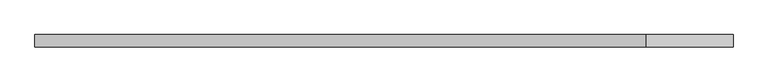
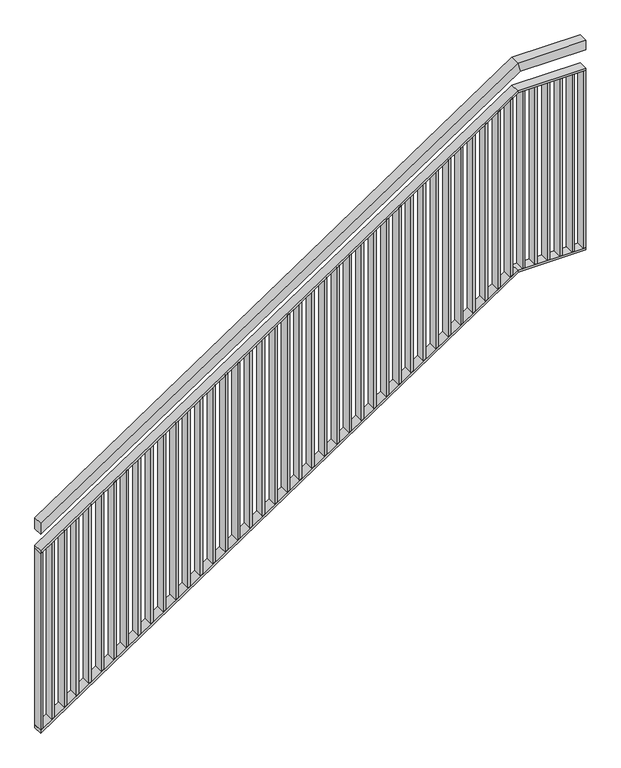
"""IFC4 building model written with IfcOpenShell, lengths in millimetres: railing geometry."""

import ifcopenshell
import ifcopenshell.guid

model = None  # the IFC model being written
_history = None  # IfcOwnerHistory: only IFC2X3 demands one
_inside = {}  # id of a spatial element -> (the spatial element, [elements in it])
_under = {}  # id of a project, library or spatial element -> (it, [spatial elements below it])
_declared = {}  # id of a project -> (the project, [libraries it declares])
_typed = {}  # id of a type object -> (the type object, [elements of that type])
_made_of = {}  # id of a material, layer set ... -> (it, [elements and type objects made of it])


def new_model(schema):
    """Start an empty IFC model of exactly this schema.

    Asked for "IFC4X3", IfcOpenShell would pick the latest addendum, in which some entities
    have other attributes; the version numbers below select the first issue.
    IFC2X3 requires an IfcOwnerHistory on every rooted entity: one is made here for all.
    """
    global model, _history
    if schema == "IFC4X3":
        model = ifcopenshell.file(schema_version=(4, 3, 0, 0))
    else:
        model = ifcopenshell.file(schema=schema)
    _inside.clear()
    _under.clear()
    _declared.clear()
    _typed.clear()
    _made_of.clear()
    _history = None
    if model.schema == "IFC2X3":
        org = make("IfcOrganization", Name="unknown")
        user = make(
            "IfcPersonAndOrganization",
            ThePerson=make("IfcPerson", FamilyName="unknown"),
            TheOrganization=org,
        )
        app = make(
            "IfcApplication",
            ApplicationDeveloper=org,
            Version="unknown",
            ApplicationFullName="unknown",
            ApplicationIdentifier="unknown",
        )
        _history = make(
            "IfcOwnerHistory",
            OwningUser=user,
            OwningApplication=app,
            ChangeAction="ADDED",
            CreationDate=0,
        )
    return model


def make(cls, **values):
    """One entity of the class cls with the attributes given. An attribute that is None is left unset."""
    return model.create_entity(
        cls, **{name: value for name, value in values.items() if value is not None}
    )


def rooted(cls, **values):
    """An entity with a GlobalId (a new one), such as an element, a storey or a relation."""
    return make(cls, GlobalId=ifcopenshell.guid.new(), OwnerHistory=_history, **values)


def si_unit(unit_type, name, prefix=None):
    """IfcSIUnit, for example si_unit("LENGTHUNIT", "METRE", prefix="MILLI")."""
    return make("IfcSIUnit", UnitType=unit_type, Prefix=prefix, Name=name)


def assignment(units):
    """IfcUnitAssignment: the units of a project."""
    return None if units is None else make("IfcUnitAssignment", Units=units)


def point(xyz):
    """IfcCartesianPoint."""
    return None if xyz is None else make("IfcCartesianPoint", Coordinates=xyz)


def direction(xyz):
    """IfcDirection."""
    return None if xyz is None else make("IfcDirection", DirectionRatios=xyz)


def frame(location, z_axis=None, x_axis=None):
    """IfcAxis2Placement3D, a coordinate frame: its origin and axes. An axis left out is left unset."""
    return make(
        "IfcAxis2Placement3D",
        Location=point(location),
        Axis=direction(z_axis),
        RefDirection=direction(x_axis),
    )


def origin():
    """The frame at (0, 0, 0) with its axes left unset."""
    return frame((0.0, 0.0, 0.0))


def place(relative_to, where):
    """IfcLocalPlacement: puts the frame where relative to a parent placement (None: the world)."""
    return make(
        "IfcLocalPlacement", PlacementRelTo=relative_to, RelativePlacement=where
    )


def context(
    kind, dimensions, precision=None, world=None, true_north=None, identifier=None
):
    """IfcGeometricRepresentationContext, for example the 3D "Model" context."""
    return make(
        "IfcGeometricRepresentationContext",
        ContextIdentifier=identifier,
        ContextType=kind,
        CoordinateSpaceDimension=dimensions,
        Precision=precision,
        WorldCoordinateSystem=world,
        TrueNorth=true_north,
    )


def project(units=None, contexts=None):
    """IfcProject with its units and contexts."""
    return rooted(
        "IfcProject",
        Name="project",
        RepresentationContexts=contexts,
        UnitsInContext=assignment(units),
    )


def spatial(cls, under=None, at=None, **own):
    """A site, building, storey or space (cls), placed at a placement, below another one or the project."""
    s = rooted(cls, ObjectPlacement=at, **own)
    if under is not None:
        _under.setdefault(under.id(), (under, []))[1].append(s)
    return s


def polyline(points):
    """IfcPolyline through the points."""
    return make("IfcPolyline", Points=[point(p) for p in points])


def outline(outer, holes=None, kind="AREA"):
    """IfcArbitraryClosedProfileDef: a profile drawn as a closed curve; with holes, ...WithVoids."""
    if holes is None:
        return make("IfcArbitraryClosedProfileDef", ProfileType=kind, OuterCurve=outer)
    return make(
        "IfcArbitraryProfileDefWithVoids",
        ProfileType=kind,
        OuterCurve=outer,
        InnerCurves=holes,
    )


def extrude(swept, where, along, depth):
    """IfcExtrudedAreaSolid: the profile swept, set in the frame where, extruded along a direction by depth."""
    return make(
        "IfcExtrudedAreaSolid",
        SweptArea=swept,
        Position=where,
        ExtrudedDirection=direction(along),
        Depth=depth,
    )


def faces_of(points, faces, orient=None, outer=None):
    """IfcFace entities. A face is a list of loops; a loop is a list of indices into points, from 0.

    orient and outer hold one flag for each loop. By default every Orientation is true, the
    first loop of a face is its IfcFaceOuterBound and the others are IfcFaceBound.
    """
    made = []
    for i, loops in enumerate(faces):
        bounds = []
        for j, loop in enumerate(loops):
            is_outer = j == 0 if outer is None else outer[i][j]
            bounds.append(
                make(
                    "IfcFaceOuterBound" if is_outer else "IfcFaceBound",
                    Bound=make("IfcPolyLoop", Polygon=[points[k] for k in loop]),
                    Orientation=True if orient is None else orient[i][j],
                )
            )
        made.append(make("IfcFace", Bounds=bounds))
    return made


def faceted_brep(points, faces, orient=None, outer=None, voids=None):
    """IfcFacetedBrep: a solid bounded by flat faces; with voids (closed shells), ...WithVoids."""
    shared = [point(p) for p in points]
    hull = make("IfcClosedShell", CfsFaces=faces_of(shared, faces, orient, outer))
    if voids is None:
        return make("IfcFacetedBrep", Outer=hull)
    return make(
        "IfcFacetedBrepWithVoids",
        Outer=hull,
        Voids=[
            make(cls, CfsFaces=faces_of(shared, fs, o, b)) for cls, fs, o, b in voids
        ],
    )


def shape(context_of_items, identifier, shape_type, items):
    """IfcShapeRepresentation: the items that make up one representation, for example the "Body"."""
    return make(
        "IfcShapeRepresentation",
        ContextOfItems=context_of_items,
        RepresentationIdentifier=identifier,
        RepresentationType=shape_type,
        Items=items,
    )


def source(mapping_origin, context_of_items, identifier, shape_type, items):
    """IfcRepresentationMap: a shape defined once, which mapped items show again and again."""
    return make(
        "IfcRepresentationMap",
        MappingOrigin=mapping_origin,
        MappedRepresentation=shape(context_of_items, identifier, shape_type, items),
    )


def transform(
    local_origin,
    x_axis=None,
    y_axis=None,
    z_axis=None,
    scale=None,
    scale2=None,
    scale3=None,
    uniform=True,
):
    """IfcCartesianTransformationOperator3D, or its non-uniform kind. x_axis, y_axis, z_axis: its Axis1, 2, 3."""
    if uniform:
        return make(
            "IfcCartesianTransformationOperator3D",
            Axis1=direction(x_axis),
            Axis2=direction(y_axis),
            LocalOrigin=point(local_origin),
            Scale=scale,
            Axis3=direction(z_axis),
        )
    return make(
        "IfcCartesianTransformationOperator3DnonUniform",
        Axis1=direction(x_axis),
        Axis2=direction(y_axis),
        LocalOrigin=point(local_origin),
        Scale=scale,
        Axis3=direction(z_axis),
        Scale2=scale2,
        Scale3=scale3,
    )


def mapped(mapping_source, mapping_target):
    """IfcMappedItem: shows the shape of a source again, moved by a transform."""
    return make(
        "IfcMappedItem", MappingSource=mapping_source, MappingTarget=mapping_target
    )


def made_of(thing, what):
    """Note that an element or type object is made of a material, layer set ...; save() writes the relation."""
    if what is not None:
        _made_of.setdefault(what.id(), (what, []))[1].append(thing)
    return thing


def element(
    cls,
    number,
    at=None,
    inside=None,
    cuts=None,
    type_object=None,
    material=None,
    context=None,
    identifier="Body",
    shape_type=None,
    held_by="IfcProductDefinitionShape",
    body=None,
    shapes=None,
    **own,
):
    """One element of the class cls, such as IfcWall. Its Tag is "e" and its number.

    at: its placement. inside: the storey or other place that contains it. cuts: it is an
    opening in that element (IfcRelVoidsElement). A single representation is given by context,
    identifier, shape_type and body (its items); several are given by shapes. held_by: the class
    of the entity that holds the representations. save() writes the other relations.
    """
    e = rooted(cls, Tag="e%d" % number, ObjectPlacement=at, **own)
    if body is not None:
        shapes = [shape(context, identifier, shape_type, body)]
    if shapes is not None:
        e.Representation = make(held_by, Representations=shapes)
    if inside is not None:
        _inside.setdefault(inside.id(), (inside, []))[1].append(e)
    if cuts is not None:
        rooted(
            "IfcRelVoidsElement", RelatingBuildingElement=cuts, RelatedOpeningElement=e
        )
    if type_object is not None:
        _typed.setdefault(type_object.id(), (type_object, []))[1].append(e)
    return made_of(e, material)


def aggregate(whole, parts):
    """IfcRelAggregates: a whole, such as a stair, and the parts it consists of."""
    return rooted("IfcRelAggregates", RelatingObject=whole, RelatedObjects=parts)


def save(model, path):
    """Write the relations noted so far, then the file.

    IfcRelAggregates (storeys below a building ...), IfcRelContainedInSpatialStructure (elements
    in a storey), IfcRelDefinesByType, IfcRelAssociatesMaterial and IfcRelDeclares: one each for
    every whole, place, type object, material and project.
    """
    for whole, parts in _under.values():
        aggregate(whole, parts)
    for where, things in _inside.values():
        rooted(
            "IfcRelContainedInSpatialStructure",
            RelatedElements=things,
            RelatingStructure=where,
        )
    for kind, things in _typed.values():
        rooted("IfcRelDefinesByType", RelatedObjects=things, RelatingType=kind)
    for what, things in _made_of.values():
        rooted("IfcRelAssociatesMaterial", RelatedObjects=things, RelatingMaterial=what)
    for by, libraries in _declared.values():
        rooted("IfcRelDeclares", RelatingContext=by, RelatedDefinitions=libraries)
    model.write(path)


def railing_6da0d46b(model_context):
    return source(origin(), model_context, "Body", "SolidModel", [
        faceted_brep([(-3077.5711368, -55941.2878855, 1187.5), (-3077.5711368, -55901.2878855, 1187.5), (-3077.5711368, -55901.2878855, 1139.3598453), (-3077.5711368, -55941.2878855, 1139.3598453), (-1117.5711368, -55941.2878855, 2500.0), (-1117.5711368, -55901.2878855, 2500.0), (-1105.4151725, -55901.2878855, 2460.0), (-1105.4151725, -55941.2878855, 2460.0), (-837.5711368, -55941.2878855, 2500.0), (-837.5711368, -55941.2878855, 2460.0), (-837.5711368, -55901.2878855, 2460.0), (-837.5711368, -55901.2878855, 2500.0)], [[[0, 1, 2, 3]], [[1, 0, 4, 5]], [[2, 1, 5, 6]], [[3, 2, 6, 7]], [[0, 3, 7, 4]], [[8, 9, 10, 11]], [[5, 4, 8, 11]], [[6, 5, 11, 10]], [[7, 6, 10, 9]], [[4, 7, 9, 8]]]),
        faceted_brep([(-3077.5711368, -55941.2878855, 1067.5), (-3077.5711368, -55901.2878855, 1067.5), (-3077.5711368, -55901.2878855, 1055.4649613), (-3077.5711368, -55941.2878855, 1055.4649613), (-1117.5711368, -55941.2878855, 2380.0), (-1117.5711368, -55901.2878855, 2380.0), (-1114.5321457, -55901.2878855, 2370.0), (-1114.5321457, -55941.2878855, 2370.0), (-837.5711368, -55941.2878855, 2380.0), (-837.5711368, -55941.2878855, 2370.0), (-837.5711368, -55901.2878855, 2370.0), (-837.5711368, -55901.2878855, 2380.0)], [[[0, 1, 2, 3]], [[1, 0, 4, 5]], [[2, 1, 5, 6]], [[3, 2, 6, 7]], [[0, 3, 7, 4]], [[8, 9, 10, 11]], [[5, 4, 8, 11]], [[6, 5, 11, 10]], [[7, 6, 10, 9]], [[4, 7, 9, 8]]]),
        faceted_brep([(-3077.5711368, -55941.2878855, 287.5), (-3077.5711368, -55901.2878855, 287.5), (-3077.5711368, -55901.2878855, 275.4649613), (-3077.5711368, -55941.2878855, 275.4649613), (-1117.5711368, -55941.2878855, 1600.0), (-1117.5711368, -55901.2878855, 1600.0), (-1114.5321457, -55901.2878855, 1590.0), (-1114.5321457, -55941.2878855, 1590.0), (-837.5711368, -55941.2878855, 1600.0), (-837.5711368, -55941.2878855, 1590.0), (-837.5711368, -55901.2878855, 1590.0), (-837.5711368, -55901.2878855, 1600.0)], [[[0, 1, 2, 3]], [[1, 0, 4, 5]], [[2, 1, 5, 6]], [[3, 2, 6, 7]], [[0, 3, 7, 4]], [[8, 9, 10, 11]], [[5, 4, 8, 11]], [[6, 5, 11, 10]], [[7, 6, 10, 9]], [[4, 7, 9, 8]]]),
        extrude(outline(polyline([(-893.4802277, -55941.2878855), (-893.4802277, -55901.2878855), (-883.4802277, -55901.2878855), (-883.4802277, -55941.2878855), (-893.4802277, -55941.2878855)])), frame((0.0, 0.0, 1600.0), z_axis=(0.0, 0.0, 1.0), x_axis=(1.0, 0.0, 0.0)), (0.0, 0.0, 1.0), 770.0),
        extrude(outline(polyline([(-944.3893186, -55941.2878855), (-944.3893186, -55901.2878855), (-934.3893186, -55901.2878855), (-934.3893186, -55941.2878855), (-944.3893186, -55941.2878855)])), frame((0.0, 0.0, 1600.0), z_axis=(0.0, 0.0, 1.0), x_axis=(1.0, 0.0, 0.0)), (0.0, 0.0, 1.0), 770.0),
        extrude(outline(polyline([(-995.2984095, -55941.2878855), (-995.2984095, -55901.2878855), (-985.2984095, -55901.2878855), (-985.2984095, -55941.2878855), (-995.2984095, -55941.2878855)])), frame((0.0, 0.0, 1600.0), z_axis=(0.0, 0.0, 1.0), x_axis=(1.0, 0.0, 0.0)), (0.0, 0.0, 1.0), 770.0),
        extrude(outline(polyline([(-1046.2075004, -55941.2878855), (-1046.2075004, -55901.2878855), (-1036.2075004, -55901.2878855), (-1036.2075004, -55941.2878855), (-1046.2075004, -55941.2878855)])), frame((0.0, 0.0, 1600.0), z_axis=(0.0, 0.0, 1.0), x_axis=(1.0, 0.0, 0.0)), (0.0, 0.0, 1.0), 770.0),
        extrude(outline(polyline([(-1097.1165913, -55941.2878855), (-1097.1165913, -55901.2878855), (-1087.1165913, -55901.2878855), (-1087.1165913, -55941.2878855), (-1097.1165913, -55941.2878855)])), frame((0.0, 0.0, 1600.0), z_axis=(0.0, 0.0, 1.0), x_axis=(1.0, 0.0, 0.0)), (0.0, 0.0, 1.0), 770.0),
        extrude(outline(polyline([(2349.6063312, -1148.0256822), (1579.6063312, -1148.0256822), (1586.3027597, -1138.0256822), (2356.3027597, -1138.0256822), (2349.6063312, -1148.0256822)])), frame((0.0, -55941.2878855, 0.0), z_axis=(0.0, 1.0, 0.0), x_axis=(0.0, 0.0, 1.0)), (0.0, 0.0, 1.0), 40.0),
        extrude(outline(polyline([(2315.5154221, -1198.9347731), (1545.5154221, -1198.9347731), (1552.2118506, -1188.9347731), (2322.2118506, -1188.9347731), (2315.5154221, -1198.9347731)])), frame((0.0, -55941.2878855, 0.0), z_axis=(0.0, 1.0, 0.0), x_axis=(0.0, 0.0, 1.0)), (0.0, 0.0, 1.0), 40.0),
        extrude(outline(polyline([(2281.424513, -1249.843864), (1511.424513, -1249.843864), (1518.1209416, -1239.843864), (2288.1209416, -1239.843864), (2281.424513, -1249.843864)])), frame((0.0, -55941.2878855, 0.0), z_axis=(0.0, 1.0, 0.0), x_axis=(0.0, 0.0, 1.0)), (0.0, 0.0, 1.0), 40.0),
        extrude(outline(polyline([(2247.3336039, -1300.7529549), (1477.3336039, -1300.7529549), (1484.0300325, -1290.7529549), (2254.0300325, -1290.7529549), (2247.3336039, -1300.7529549)])), frame((0.0, -55941.2878855, 0.0), z_axis=(0.0, 1.0, 0.0), x_axis=(0.0, 0.0, 1.0)), (0.0, 0.0, 1.0), 40.0),
        extrude(outline(polyline([(2213.2426948, -1351.6620459), (1443.2426948, -1351.6620459), (1449.9391234, -1341.6620459), (2219.9391234, -1341.6620459), (2213.2426948, -1351.6620459)])), frame((0.0, -55941.2878855, 0.0), z_axis=(0.0, 1.0, 0.0), x_axis=(0.0, 0.0, 1.0)), (0.0, 0.0, 1.0), 40.0),
        extrude(outline(polyline([(2179.1517857, -1402.5711368), (1409.1517857, -1402.5711368), (1415.8482143, -1392.5711368), (2185.8482143, -1392.5711368), (2179.1517857, -1402.5711368)])), frame((0.0, -55941.2878855, 0.0), z_axis=(0.0, 1.0, 0.0), x_axis=(0.0, 0.0, 1.0)), (0.0, 0.0, 1.0), 40.0),
        extrude(outline(polyline([(2145.0608766, -1453.4802277), (1375.0608766, -1453.4802277), (1381.7573052, -1443.4802277), (2151.7573052, -1443.4802277), (2145.0608766, -1453.4802277)])), frame((0.0, -55941.2878855, 0.0), z_axis=(0.0, 1.0, 0.0), x_axis=(0.0, 0.0, 1.0)), (0.0, 0.0, 1.0), 40.0),
        extrude(outline(polyline([(2110.9699675, -1504.3893186), (1340.9699675, -1504.3893186), (1347.6663961, -1494.3893186), (2117.6663961, -1494.3893186), (2110.9699675, -1504.3893186)])), frame((0.0, -55941.2878855, 0.0), z_axis=(0.0, 1.0, 0.0), x_axis=(0.0, 0.0, 1.0)), (0.0, 0.0, 1.0), 40.0),
        extrude(outline(polyline([(2076.8790584, -1555.2984095), (1306.8790584, -1555.2984095), (1313.575487, -1545.2984095), (2083.575487, -1545.2984095), (2076.8790584, -1555.2984095)])), frame((0.0, -55941.2878855, 0.0), z_axis=(0.0, 1.0, 0.0), x_axis=(0.0, 0.0, 1.0)), (0.0, 0.0, 1.0), 40.0),
        extrude(outline(polyline([(2042.7881494, -1606.2075004), (1272.7881494, -1606.2075004), (1279.4845779, -1596.2075004), (2049.4845779, -1596.2075004), (2042.7881494, -1606.2075004)])), frame((0.0, -55941.2878855, 0.0), z_axis=(0.0, 1.0, 0.0), x_axis=(0.0, 0.0, 1.0)), (0.0, 0.0, 1.0), 40.0),
        extrude(outline(polyline([(2008.6972403, -1657.1165913), (1238.6972403, -1657.1165913), (1245.3936688, -1647.1165913), (2015.3936688, -1647.1165913), (2008.6972403, -1657.1165913)])), frame((0.0, -55941.2878855, 0.0), z_axis=(0.0, 1.0, 0.0), x_axis=(0.0, 0.0, 1.0)), (0.0, 0.0, 1.0), 40.0),
        extrude(outline(polyline([(1974.6063312, -1708.0256822), (1204.6063312, -1708.0256822), (1211.3027597, -1698.0256822), (1981.3027597, -1698.0256822), (1974.6063312, -1708.0256822)])), frame((0.0, -55941.2878855, 0.0), z_axis=(0.0, 1.0, 0.0), x_axis=(0.0, 0.0, 1.0)), (0.0, 0.0, 1.0), 40.0),
        extrude(outline(polyline([(1940.5154221, -1758.9347731), (1170.5154221, -1758.9347731), (1177.2118506, -1748.9347731), (1947.2118506, -1748.9347731), (1940.5154221, -1758.9347731)])), frame((0.0, -55941.2878855, 0.0), z_axis=(0.0, 1.0, 0.0), x_axis=(0.0, 0.0, 1.0)), (0.0, 0.0, 1.0), 40.0),
        extrude(outline(polyline([(1906.424513, -1809.843864), (1136.424513, -1809.843864), (1143.1209416, -1799.843864), (1913.1209416, -1799.843864), (1906.424513, -1809.843864)])), frame((0.0, -55941.2878855, 0.0), z_axis=(0.0, 1.0, 0.0), x_axis=(0.0, 0.0, 1.0)), (0.0, 0.0, 1.0), 40.0),
        extrude(outline(polyline([(1872.3336039, -1860.7529549), (1102.3336039, -1860.7529549), (1109.0300325, -1850.7529549), (1879.0300325, -1850.7529549), (1872.3336039, -1860.7529549)])), frame((0.0, -55941.2878855, 0.0), z_axis=(0.0, 1.0, 0.0), x_axis=(0.0, 0.0, 1.0)), (0.0, 0.0, 1.0), 40.0),
        extrude(outline(polyline([(1838.2426948, -1911.6620459), (1068.2426948, -1911.6620459), (1074.9391234, -1901.6620459), (1844.9391234, -1901.6620459), (1838.2426948, -1911.6620459)])), frame((0.0, -55941.2878855, 0.0), z_axis=(0.0, 1.0, 0.0), x_axis=(0.0, 0.0, 1.0)), (0.0, 0.0, 1.0), 40.0),
        extrude(outline(polyline([(1804.1517857, -1962.5711368), (1034.1517857, -1962.5711368), (1040.8482143, -1952.5711368), (1810.8482143, -1952.5711368), (1804.1517857, -1962.5711368)])), frame((0.0, -55941.2878855, 0.0), z_axis=(0.0, 1.0, 0.0), x_axis=(0.0, 0.0, 1.0)), (0.0, 0.0, 1.0), 40.0),
        extrude(outline(polyline([(1770.0608766, -2013.4802277), (1000.0608766, -2013.4802277), (1006.7573052, -2003.4802277), (1776.7573052, -2003.4802277), (1770.0608766, -2013.4802277)])), frame((0.0, -55941.2878855, 0.0), z_axis=(0.0, 1.0, 0.0), x_axis=(0.0, 0.0, 1.0)), (0.0, 0.0, 1.0), 40.0),
        extrude(outline(polyline([(1735.9699675, -2064.3893186), (965.9699675, -2064.3893186), (972.6663961, -2054.3893186), (1742.6663961, -2054.3893186), (1735.9699675, -2064.3893186)])), frame((0.0, -55941.2878855, 0.0), z_axis=(0.0, 1.0, 0.0), x_axis=(0.0, 0.0, 1.0)), (0.0, 0.0, 1.0), 40.0),
        extrude(outline(polyline([(1701.8790584, -2115.2984095), (931.8790584, -2115.2984095), (938.575487, -2105.2984095), (1708.575487, -2105.2984095), (1701.8790584, -2115.2984095)])), frame((0.0, -55941.2878855, 0.0), z_axis=(0.0, 1.0, 0.0), x_axis=(0.0, 0.0, 1.0)), (0.0, 0.0, 1.0), 40.0),
        extrude(outline(polyline([(1667.7881494, -2166.2075004), (897.7881494, -2166.2075004), (904.4845779, -2156.2075004), (1674.4845779, -2156.2075004), (1667.7881494, -2166.2075004)])), frame((0.0, -55941.2878855, 0.0), z_axis=(0.0, 1.0, 0.0), x_axis=(0.0, 0.0, 1.0)), (0.0, 0.0, 1.0), 40.0),
        extrude(outline(polyline([(1633.6972403, -2217.1165913), (863.6972403, -2217.1165913), (870.3936688, -2207.1165913), (1640.3936688, -2207.1165913), (1633.6972403, -2217.1165913)])), frame((0.0, -55941.2878855, 0.0), z_axis=(0.0, 1.0, 0.0), x_axis=(0.0, 0.0, 1.0)), (0.0, 0.0, 1.0), 40.0),
        extrude(outline(polyline([(1599.6063312, -2268.0256822), (829.6063312, -2268.0256822), (836.3027597, -2258.0256822), (1606.3027597, -2258.0256822), (1599.6063312, -2268.0256822)])), frame((0.0, -55941.2878855, 0.0), z_axis=(0.0, 1.0, 0.0), x_axis=(0.0, 0.0, 1.0)), (0.0, 0.0, 1.0), 40.0),
        extrude(outline(polyline([(1565.5154221, -2318.9347731), (795.5154221, -2318.9347731), (802.2118506, -2308.9347731), (1572.2118506, -2308.9347731), (1565.5154221, -2318.9347731)])), frame((0.0, -55941.2878855, 0.0), z_axis=(0.0, 1.0, 0.0), x_axis=(0.0, 0.0, 1.0)), (0.0, 0.0, 1.0), 40.0),
        extrude(outline(polyline([(1531.424513, -2369.843864), (761.424513, -2369.843864), (768.1209416, -2359.843864), (1538.1209416, -2359.843864), (1531.424513, -2369.843864)])), frame((0.0, -55941.2878855, 0.0), z_axis=(0.0, 1.0, 0.0), x_axis=(0.0, 0.0, 1.0)), (0.0, 0.0, 1.0), 40.0),
        extrude(outline(polyline([(1497.3336039, -2420.7529549), (727.3336039, -2420.7529549), (734.0300325, -2410.7529549), (1504.0300325, -2410.7529549), (1497.3336039, -2420.7529549)])), frame((0.0, -55941.2878855, 0.0), z_axis=(0.0, 1.0, 0.0), x_axis=(0.0, 0.0, 1.0)), (0.0, 0.0, 1.0), 40.0),
        extrude(outline(polyline([(1463.2426948, -2471.6620459), (693.2426948, -2471.6620459), (699.9391234, -2461.6620459), (1469.9391234, -2461.6620459), (1463.2426948, -2471.6620459)])), frame((0.0, -55941.2878855, 0.0), z_axis=(0.0, 1.0, 0.0), x_axis=(0.0, 0.0, 1.0)), (0.0, 0.0, 1.0), 40.0),
        extrude(outline(polyline([(1429.1517857, -2522.5711368), (659.1517857, -2522.5711368), (665.8482143, -2512.5711368), (1435.8482143, -2512.5711368), (1429.1517857, -2522.5711368)])), frame((0.0, -55941.2878855, 0.0), z_axis=(0.0, 1.0, 0.0), x_axis=(0.0, 0.0, 1.0)), (0.0, 0.0, 1.0), 40.0),
        extrude(outline(polyline([(1395.0608766, -2573.4802277), (625.0608766, -2573.4802277), (631.7573052, -2563.4802277), (1401.7573052, -2563.4802277), (1395.0608766, -2573.4802277)])), frame((0.0, -55941.2878855, 0.0), z_axis=(0.0, 1.0, 0.0), x_axis=(0.0, 0.0, 1.0)), (0.0, 0.0, 1.0), 40.0),
        extrude(outline(polyline([(1360.9699675, -2624.3893186), (590.9699675, -2624.3893186), (597.6663961, -2614.3893186), (1367.6663961, -2614.3893186), (1360.9699675, -2624.3893186)])), frame((0.0, -55941.2878855, 0.0), z_axis=(0.0, 1.0, 0.0), x_axis=(0.0, 0.0, 1.0)), (0.0, 0.0, 1.0), 40.0),
        extrude(outline(polyline([(1326.8790584, -2675.2984095), (556.8790584, -2675.2984095), (563.575487, -2665.2984095), (1333.575487, -2665.2984095), (1326.8790584, -2675.2984095)])), frame((0.0, -55941.2878855, 0.0), z_axis=(0.0, 1.0, 0.0), x_axis=(0.0, 0.0, 1.0)), (0.0, 0.0, 1.0), 40.0),
        extrude(outline(polyline([(1292.7881494, -2726.2075004), (522.7881494, -2726.2075004), (529.4845779, -2716.2075004), (1299.4845779, -2716.2075004), (1292.7881494, -2726.2075004)])), frame((0.0, -55941.2878855, 0.0), z_axis=(0.0, 1.0, 0.0), x_axis=(0.0, 0.0, 1.0)), (0.0, 0.0, 1.0), 40.0),
        extrude(outline(polyline([(1258.6972403, -2777.1165913), (488.6972403, -2777.1165913), (495.3936688, -2767.1165913), (1265.3936688, -2767.1165913), (1258.6972403, -2777.1165913)])), frame((0.0, -55941.2878855, 0.0), z_axis=(0.0, 1.0, 0.0), x_axis=(0.0, 0.0, 1.0)), (0.0, 0.0, 1.0), 40.0),
        extrude(outline(polyline([(1224.6063312, -2828.0256822), (454.6063312, -2828.0256822), (461.3027597, -2818.0256822), (1231.3027597, -2818.0256822), (1224.6063312, -2828.0256822)])), frame((0.0, -55941.2878855, 0.0), z_axis=(0.0, 1.0, 0.0), x_axis=(0.0, 0.0, 1.0)), (0.0, 0.0, 1.0), 40.0),
        extrude(outline(polyline([(1190.5154221, -2878.9347731), (420.5154221, -2878.9347731), (427.2118506, -2868.9347731), (1197.2118506, -2868.9347731), (1190.5154221, -2878.9347731)])), frame((0.0, -55941.2878855, 0.0), z_axis=(0.0, 1.0, 0.0), x_axis=(0.0, 0.0, 1.0)), (0.0, 0.0, 1.0), 40.0),
        extrude(outline(polyline([(1156.424513, -2929.843864), (386.424513, -2929.843864), (393.1209416, -2919.843864), (1163.1209416, -2919.843864), (1156.424513, -2929.843864)])), frame((0.0, -55941.2878855, 0.0), z_axis=(0.0, 1.0, 0.0), x_axis=(0.0, 0.0, 1.0)), (0.0, 0.0, 1.0), 40.0),
        extrude(outline(polyline([(1122.3336039, -2980.7529549), (352.3336039, -2980.7529549), (359.0300325, -2970.7529549), (1129.0300325, -2970.7529549), (1122.3336039, -2980.7529549)])), frame((0.0, -55941.2878855, 0.0), z_axis=(0.0, 1.0, 0.0), x_axis=(0.0, 0.0, 1.0)), (0.0, 0.0, 1.0), 40.0),
        extrude(outline(polyline([(1088.2426948, -3031.6620459), (318.2426948, -3031.6620459), (324.9391234, -3021.6620459), (1094.9391234, -3021.6620459), (1088.2426948, -3031.6620459)])), frame((0.0, -55941.2878855, 0.0), z_axis=(0.0, 1.0, 0.0), x_axis=(0.0, 0.0, 1.0)), (0.0, 0.0, 1.0), 40.0),
        extrude(outline(polyline([(-847.5711368, -55941.2878855), (-847.5711368, -55901.2878855), (-837.5711368, -55901.2878855), (-837.5711368, -55941.2878855), (-847.5711368, -55941.2878855)])), frame((0.0, 0.0, 1600.0), z_axis=(0.0, 0.0, 1.0), x_axis=(1.0, 0.0, 0.0)), (0.0, 0.0, 1.0), 770.0),
        extrude(outline(polyline([(1057.5, -3077.5711368), (287.5, -3077.5711368), (294.1964286, -3067.5711368), (1064.1964286, -3067.5711368), (1057.5, -3077.5711368)])), frame((0.0, -55941.2878855, 0.0), z_axis=(0.0, 1.0, 0.0), x_axis=(0.0, 0.0, 1.0)), (0.0, 0.0, 1.0), 40.0),
    ])


if __name__ == "__main__":
    model = new_model("IFC4")
    model_context = context("Model", 3, world=origin())
    ifc_project = project(units=[si_unit("LENGTHUNIT", "METRE", prefix="MILLI")], contexts=[model_context])
    site = spatial("IfcSite", under=ifc_project)
    building = spatial("IfcBuilding", under=site)
    placement = place(None, origin())
    railing_shape = railing_6da0d46b(model_context)
    element("IfcRailing", 1, at=placement, inside=building, context=model_context, shape_type="MappedRepresentation", body=[
        mapped(railing_shape, transform((0.0, 0.0, 0.0), x_axis=(1.0, 0.0, 0.0), y_axis=(0.0, 1.0, 0.0), z_axis=(0.0, 0.0, 1.0))),
    ])
    save(model, "model.ifc")
